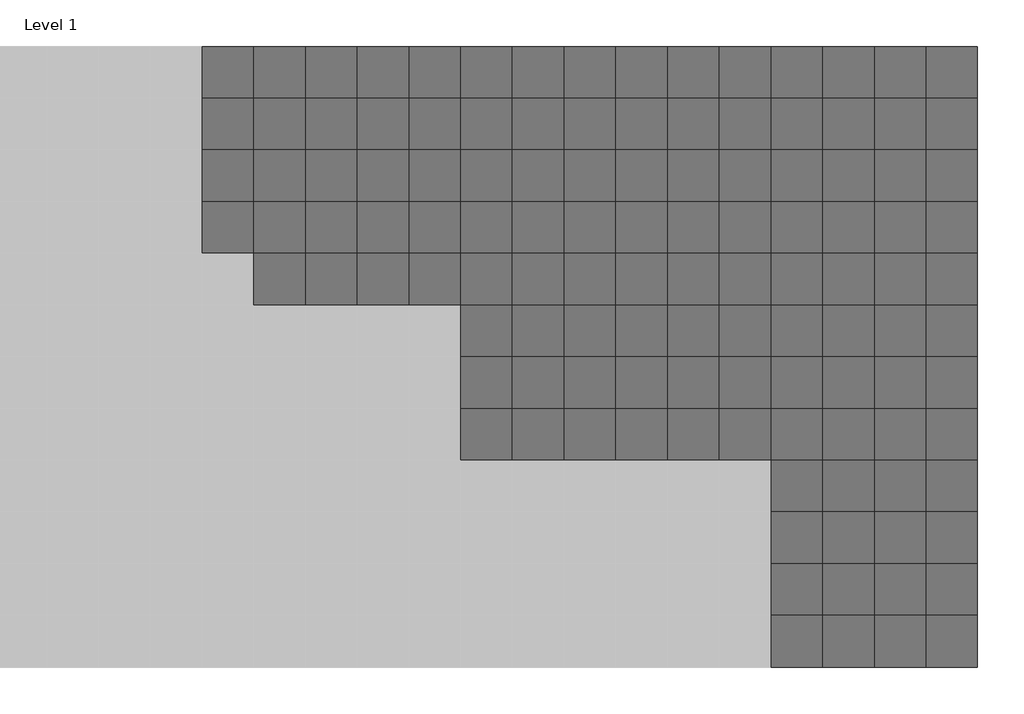
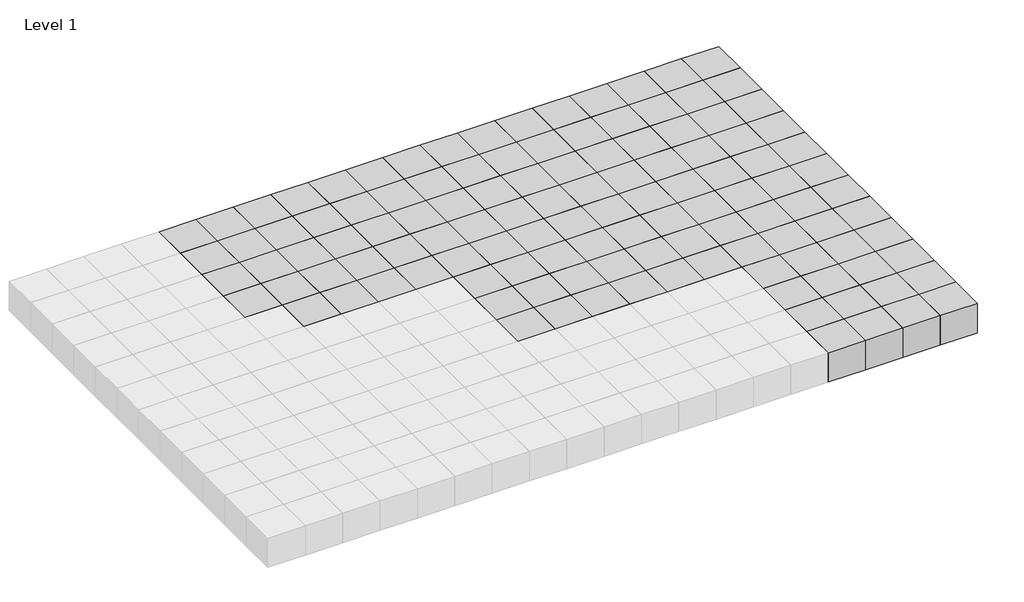
# One storey, part 3 of 3: 120 proxies.
"""IFC4 building model written with IfcOpenShell, lengths in millimetres."""

import ifcopenshell
import ifcopenshell.guid

model = None  # the IFC model being written
_history = None  # IfcOwnerHistory: only IFC2X3 demands one
_inside = {}  # id of a spatial element -> (the spatial element, [elements in it])
_under = {}  # id of a project, library or spatial element -> (it, [spatial elements below it])
_declared = {}  # id of a project -> (the project, [libraries it declares])
_typed = {}  # id of a type object -> (the type object, [elements of that type])
_made_of = {}  # id of a material, layer set ... -> (it, [elements and type objects made of it])


def new_model(schema):
    """Start an empty IFC model of exactly this schema.

    Asked for "IFC4X3", IfcOpenShell would pick the latest addendum, in which some entities
    have other attributes; the version numbers below select the first issue.
    IFC2X3 requires an IfcOwnerHistory on every rooted entity: one is made here for all.
    """
    global model, _history
    if schema == "IFC4X3":
        model = ifcopenshell.file(schema_version=(4, 3, 0, 0))
    else:
        model = ifcopenshell.file(schema=schema)
    _inside.clear()
    _under.clear()
    _declared.clear()
    _typed.clear()
    _made_of.clear()
    _history = None
    if model.schema == "IFC2X3":
        org = make("IfcOrganization", Name="unknown")
        user = make(
            "IfcPersonAndOrganization",
            ThePerson=make("IfcPerson", FamilyName="unknown"),
            TheOrganization=org,
        )
        app = make(
            "IfcApplication",
            ApplicationDeveloper=org,
            Version="unknown",
            ApplicationFullName="unknown",
            ApplicationIdentifier="unknown",
        )
        _history = make(
            "IfcOwnerHistory",
            OwningUser=user,
            OwningApplication=app,
            ChangeAction="ADDED",
            CreationDate=0,
        )
    return model


def make(cls, **values):
    """One entity of the class cls with the attributes given. An attribute that is None is left unset."""
    return model.create_entity(
        cls, **{name: value for name, value in values.items() if value is not None}
    )


def rooted(cls, **values):
    """An entity with a GlobalId (a new one), such as an element, a storey or a relation."""
    return make(cls, GlobalId=ifcopenshell.guid.new(), OwnerHistory=_history, **values)


def si_unit(unit_type, name, prefix=None):
    """IfcSIUnit, for example si_unit("LENGTHUNIT", "METRE", prefix="MILLI")."""
    return make("IfcSIUnit", UnitType=unit_type, Prefix=prefix, Name=name)


def assignment(units):
    """IfcUnitAssignment: the units of a project."""
    return None if units is None else make("IfcUnitAssignment", Units=units)


def point(xyz):
    """IfcCartesianPoint."""
    return None if xyz is None else make("IfcCartesianPoint", Coordinates=xyz)


def direction(xyz):
    """IfcDirection."""
    return None if xyz is None else make("IfcDirection", DirectionRatios=xyz)


def frame(location, z_axis=None, x_axis=None):
    """IfcAxis2Placement3D, a coordinate frame: its origin and axes. An axis left out is left unset."""
    return make(
        "IfcAxis2Placement3D",
        Location=point(location),
        Axis=direction(z_axis),
        RefDirection=direction(x_axis),
    )


def origin():
    """The frame at (0, 0, 0) with its axes left unset."""
    return frame((0.0, 0.0, 0.0))


def origin_with_axes():
    """The frame at (0, 0, 0) with the z axis (0, 0, 1) and the x axis (1, 0, 0) written out."""
    return frame((0.0, 0.0, 0.0), z_axis=(0.0, 0.0, 1.0), x_axis=(1.0, 0.0, 0.0))


def place(relative_to, where):
    """IfcLocalPlacement: puts the frame where relative to a parent placement (None: the world)."""
    return make(
        "IfcLocalPlacement", PlacementRelTo=relative_to, RelativePlacement=where
    )


def context(
    kind, dimensions, precision=None, world=None, true_north=None, identifier=None
):
    """IfcGeometricRepresentationContext, for example the 3D "Model" context."""
    return make(
        "IfcGeometricRepresentationContext",
        ContextIdentifier=identifier,
        ContextType=kind,
        CoordinateSpaceDimension=dimensions,
        Precision=precision,
        WorldCoordinateSystem=world,
        TrueNorth=true_north,
    )


def project(units=None, contexts=None):
    """IfcProject with its units and contexts."""
    return rooted(
        "IfcProject",
        Name="project",
        RepresentationContexts=contexts,
        UnitsInContext=assignment(units),
    )


def spatial(cls, under=None, at=None, **own):
    """A site, building, storey or space (cls), placed at a placement, below another one or the project."""
    s = rooted(cls, ObjectPlacement=at, **own)
    if under is not None:
        _under.setdefault(under.id(), (under, []))[1].append(s)
    return s


def polyline(points):
    """IfcPolyline through the points."""
    return make("IfcPolyline", Points=[point(p) for p in points])


def outline(outer, holes=None, kind="AREA"):
    """IfcArbitraryClosedProfileDef: a profile drawn as a closed curve; with holes, ...WithVoids."""
    if holes is None:
        return make("IfcArbitraryClosedProfileDef", ProfileType=kind, OuterCurve=outer)
    return make(
        "IfcArbitraryProfileDefWithVoids",
        ProfileType=kind,
        OuterCurve=outer,
        InnerCurves=holes,
    )


def extrude(swept, where, along, depth):
    """IfcExtrudedAreaSolid: the profile swept, set in the frame where, extruded along a direction by depth."""
    return make(
        "IfcExtrudedAreaSolid",
        SweptArea=swept,
        Position=where,
        ExtrudedDirection=direction(along),
        Depth=depth,
    )


def shape(context_of_items, identifier, shape_type, items):
    """IfcShapeRepresentation: the items that make up one representation, for example the "Body"."""
    return make(
        "IfcShapeRepresentation",
        ContextOfItems=context_of_items,
        RepresentationIdentifier=identifier,
        RepresentationType=shape_type,
        Items=items,
    )


def source(mapping_origin, context_of_items, identifier, shape_type, items):
    """IfcRepresentationMap: a shape defined once, which mapped items show again and again."""
    return make(
        "IfcRepresentationMap",
        MappingOrigin=mapping_origin,
        MappedRepresentation=shape(context_of_items, identifier, shape_type, items),
    )


def transform(
    local_origin,
    x_axis=None,
    y_axis=None,
    z_axis=None,
    scale=None,
    scale2=None,
    scale3=None,
    uniform=True,
):
    """IfcCartesianTransformationOperator3D, or its non-uniform kind. x_axis, y_axis, z_axis: its Axis1, 2, 3."""
    if uniform:
        return make(
            "IfcCartesianTransformationOperator3D",
            Axis1=direction(x_axis),
            Axis2=direction(y_axis),
            LocalOrigin=point(local_origin),
            Scale=scale,
            Axis3=direction(z_axis),
        )
    return make(
        "IfcCartesianTransformationOperator3DnonUniform",
        Axis1=direction(x_axis),
        Axis2=direction(y_axis),
        LocalOrigin=point(local_origin),
        Scale=scale,
        Axis3=direction(z_axis),
        Scale2=scale2,
        Scale3=scale3,
    )


def mapped(mapping_source, mapping_target):
    """IfcMappedItem: shows the shape of a source again, moved by a transform."""
    return make(
        "IfcMappedItem", MappingSource=mapping_source, MappingTarget=mapping_target
    )


def made_of(thing, what):
    """Note that an element or type object is made of a material, layer set ...; save() writes the relation."""
    if what is not None:
        _made_of.setdefault(what.id(), (what, []))[1].append(thing)
    return thing


def element(
    cls,
    number,
    at=None,
    inside=None,
    cuts=None,
    type_object=None,
    material=None,
    context=None,
    identifier="Body",
    shape_type=None,
    held_by="IfcProductDefinitionShape",
    body=None,
    shapes=None,
    **own,
):
    """One element of the class cls, such as IfcWall. Its Tag is "e" and its number.

    at: its placement. inside: the storey or other place that contains it. cuts: it is an
    opening in that element (IfcRelVoidsElement). A single representation is given by context,
    identifier, shape_type and body (its items); several are given by shapes. held_by: the class
    of the entity that holds the representations. save() writes the other relations.
    """
    e = rooted(cls, Tag="e%d" % number, ObjectPlacement=at, **own)
    if body is not None:
        shapes = [shape(context, identifier, shape_type, body)]
    if shapes is not None:
        e.Representation = make(held_by, Representations=shapes)
    if inside is not None:
        _inside.setdefault(inside.id(), (inside, []))[1].append(e)
    if cuts is not None:
        rooted(
            "IfcRelVoidsElement", RelatingBuildingElement=cuts, RelatedOpeningElement=e
        )
    if type_object is not None:
        _typed.setdefault(type_object.id(), (type_object, []))[1].append(e)
    return made_of(e, material)


def aggregate(whole, parts):
    """IfcRelAggregates: a whole, such as a stair, and the parts it consists of."""
    return rooted("IfcRelAggregates", RelatingObject=whole, RelatedObjects=parts)


def save(model, path):
    """Write the relations noted so far, then the file.

    IfcRelAggregates (storeys below a building ...), IfcRelContainedInSpatialStructure (elements
    in a storey), IfcRelDefinesByType, IfcRelAssociatesMaterial and IfcRelDeclares: one each for
    every whole, place, type object, material and project.
    """
    for whole, parts in _under.values():
        aggregate(whole, parts)
    for where, things in _inside.values():
        rooted(
            "IfcRelContainedInSpatialStructure",
            RelatedElements=things,
            RelatingStructure=where,
        )
    for kind, things in _typed.values():
        rooted("IfcRelDefinesByType", RelatedObjects=things, RelatingType=kind)
    for what, things in _made_of.values():
        rooted("IfcRelAssociatesMaterial", RelatedObjects=things, RelatingMaterial=what)
    for by, libraries in _declared.values():
        rooted("IfcRelDeclares", RelatingContext=by, RelatedDefinitions=libraries)
    model.write(path)


def family1_family1_3ff121e7(model_context):
    return source(origin(), model_context, "Body", "SweptSolid", [
        extrude(outline(polyline([(1500.0, 1500.0), (1500.0, -1500.0), (-1500.0, -1500.0), (-1500.0, 1500.0), (1500.0, 1500.0)])), origin_with_axes(), (0.0, 0.0, 1.0), 2500.0),
    ])


model = new_model("IFC4")

# Units and contexts
model_context = context("Model", 3, world=origin())
ifc_project = project(units=[si_unit("LENGTHUNIT", "METRE", prefix="MILLI")], contexts=[model_context])

# Site, building, storey
site = spatial("IfcSite", under=ifc_project)
building = spatial("IfcBuilding", under=site)
storey = spatial("IfcBuildingStorey", under=building, Name="Level 1", Elevation=0.0)

# Proxies
placement = place(None, origin())
family1_family1_shape = family1_family1_3ff121e7(model_context)
element("IfcBuildingElementProxy", 1, Name="Family1 : Family1", ObjectType="Family1 : Family1", at=placement, inside=storey, context=model_context, shape_type="MappedRepresentation", body=[
    mapped(family1_family1_shape, transform((34230.8235721, 4214.6480914, 0.0), x_axis=(1.0, 0.0, 0.0), y_axis=(0.0, 1.0, 0.0), z_axis=(0.0, 0.0, 1.0))),
])
element("IfcBuildingElementProxy", 2, Name="Family1 : Family1", ObjectType="Family1 : Family1", at=placement, inside=storey, context=model_context, shape_type="MappedRepresentation", body=[
    mapped(family1_family1_shape, transform((37230.8235721, 4214.6480914, 0.0), x_axis=(1.0, 0.0, 0.0), y_axis=(0.0, 1.0, 0.0), z_axis=(0.0, 0.0, 1.0))),
])
element("IfcBuildingElementProxy", 3, Name="Family1 : Family1", ObjectType="Family1 : Family1", at=placement, inside=storey, context=model_context, shape_type="MappedRepresentation", body=[
    mapped(family1_family1_shape, transform((40230.8235721, 4214.6480914, 0.0), x_axis=(1.0, 0.0, 0.0), y_axis=(0.0, 1.0, 0.0), z_axis=(0.0, 0.0, 1.0))),
])
element("IfcBuildingElementProxy", 4, Name="Family1 : Family1", ObjectType="Family1 : Family1", at=placement, inside=storey, context=model_context, shape_type="MappedRepresentation", body=[
    mapped(family1_family1_shape, transform((43230.8235721, 4214.6480914, 0.0), x_axis=(1.0, 0.0, 0.0), y_axis=(0.0, 1.0, 0.0), z_axis=(0.0, 0.0, 1.0))),
])
element("IfcBuildingElementProxy", 5, Name="Family1 : Family1", ObjectType="Family1 : Family1", at=placement, inside=storey, context=model_context, shape_type="MappedRepresentation", body=[
    mapped(family1_family1_shape, transform((34230.8235721, 7214.6480914, 0.0), x_axis=(1.0, 0.0, 0.0), y_axis=(0.0, 1.0, 0.0), z_axis=(0.0, 0.0, 1.0))),
])
element("IfcBuildingElementProxy", 6, Name="Family1 : Family1", ObjectType="Family1 : Family1", at=placement, inside=storey, context=model_context, shape_type="MappedRepresentation", body=[
    mapped(family1_family1_shape, transform((37230.8235721, 7214.6480914, 0.0), x_axis=(1.0, 0.0, 0.0), y_axis=(0.0, 1.0, 0.0), z_axis=(0.0, 0.0, 1.0))),
])
element("IfcBuildingElementProxy", 7, Name="Family1 : Family1", ObjectType="Family1 : Family1", at=placement, inside=storey, context=model_context, shape_type="MappedRepresentation", body=[
    mapped(family1_family1_shape, transform((40230.8235721, 7214.6480914, 0.0), x_axis=(1.0, 0.0, 0.0), y_axis=(0.0, 1.0, 0.0), z_axis=(0.0, 0.0, 1.0))),
])
element("IfcBuildingElementProxy", 8, Name="Family1 : Family1", ObjectType="Family1 : Family1", at=placement, inside=storey, context=model_context, shape_type="MappedRepresentation", body=[
    mapped(family1_family1_shape, transform((43230.8235721, 7214.6480914, 0.0), x_axis=(1.0, 0.0, 0.0), y_axis=(0.0, 1.0, 0.0), z_axis=(0.0, 0.0, 1.0))),
])
element("IfcBuildingElementProxy", 9, Name="Family1 : Family1", ObjectType="Family1 : Family1", at=placement, inside=storey, context=model_context, shape_type="MappedRepresentation", body=[
    mapped(family1_family1_shape, transform((34230.8235721, 10214.6480914, 0.0), x_axis=(1.0, 0.0, 0.0), y_axis=(0.0, 1.0, 0.0), z_axis=(0.0, 0.0, 1.0))),
])
element("IfcBuildingElementProxy", 10, Name="Family1 : Family1", ObjectType="Family1 : Family1", at=placement, inside=storey, context=model_context, shape_type="MappedRepresentation", body=[
    mapped(family1_family1_shape, transform((37230.8235721, 10214.6480914, 0.0), x_axis=(1.0, 0.0, 0.0), y_axis=(0.0, 1.0, 0.0), z_axis=(0.0, 0.0, 1.0))),
])
element("IfcBuildingElementProxy", 11, Name="Family1 : Family1", ObjectType="Family1 : Family1", at=placement, inside=storey, context=model_context, shape_type="MappedRepresentation", body=[
    mapped(family1_family1_shape, transform((40230.8235721, 10214.6480914, 0.0), x_axis=(1.0, 0.0, 0.0), y_axis=(0.0, 1.0, 0.0), z_axis=(0.0, 0.0, 1.0))),
])
element("IfcBuildingElementProxy", 12, Name="Family1 : Family1", ObjectType="Family1 : Family1", at=placement, inside=storey, context=model_context, shape_type="MappedRepresentation", body=[
    mapped(family1_family1_shape, transform((43230.8235721, 10214.6480914, 0.0), x_axis=(1.0, 0.0, 0.0), y_axis=(0.0, 1.0, 0.0), z_axis=(0.0, 0.0, 1.0))),
])
element("IfcBuildingElementProxy", 13, Name="Family1 : Family1", ObjectType="Family1 : Family1", at=placement, inside=storey, context=model_context, shape_type="MappedRepresentation", body=[
    mapped(family1_family1_shape, transform((34230.8235721, 13214.6480914, 0.0), x_axis=(1.0, 0.0, 0.0), y_axis=(0.0, 1.0, 0.0), z_axis=(0.0, 0.0, 1.0))),
])
element("IfcBuildingElementProxy", 14, Name="Family1 : Family1", ObjectType="Family1 : Family1", at=placement, inside=storey, context=model_context, shape_type="MappedRepresentation", body=[
    mapped(family1_family1_shape, transform((37230.8235721, 13214.6480914, 0.0), x_axis=(1.0, 0.0, 0.0), y_axis=(0.0, 1.0, 0.0), z_axis=(0.0, 0.0, 1.0))),
])
element("IfcBuildingElementProxy", 15, Name="Family1 : Family1", ObjectType="Family1 : Family1", at=placement, inside=storey, context=model_context, shape_type="MappedRepresentation", body=[
    mapped(family1_family1_shape, transform((40230.8235721, 13214.6480914, 0.0), x_axis=(1.0, 0.0, 0.0), y_axis=(0.0, 1.0, 0.0), z_axis=(0.0, 0.0, 1.0))),
])
element("IfcBuildingElementProxy", 16, Name="Family1 : Family1", ObjectType="Family1 : Family1", at=placement, inside=storey, context=model_context, shape_type="MappedRepresentation", body=[
    mapped(family1_family1_shape, transform((43230.8235721, 13214.6480914, 0.0), x_axis=(1.0, 0.0, 0.0), y_axis=(0.0, 1.0, 0.0), z_axis=(0.0, 0.0, 1.0))),
])
element("IfcBuildingElementProxy", 17, Name="Family1 : Family1", ObjectType="Family1 : Family1", at=placement, inside=storey, context=model_context, shape_type="MappedRepresentation", body=[
    mapped(family1_family1_shape, transform((16230.8235721, 16214.6480914, 0.0), x_axis=(1.0, 0.0, 0.0), y_axis=(0.0, 1.0, 0.0), z_axis=(0.0, 0.0, 1.0))),
])
element("IfcBuildingElementProxy", 18, Name="Family1 : Family1", ObjectType="Family1 : Family1", at=placement, inside=storey, context=model_context, shape_type="MappedRepresentation", body=[
    mapped(family1_family1_shape, transform((19230.8235721, 16214.6480914, 0.0), x_axis=(1.0, 0.0, 0.0), y_axis=(0.0, 1.0, 0.0), z_axis=(0.0, 0.0, 1.0))),
])
element("IfcBuildingElementProxy", 19, Name="Family1 : Family1", ObjectType="Family1 : Family1", at=placement, inside=storey, context=model_context, shape_type="MappedRepresentation", body=[
    mapped(family1_family1_shape, transform((22230.8235721, 16214.6480914, 0.0), x_axis=(1.0, 0.0, 0.0), y_axis=(0.0, 1.0, 0.0), z_axis=(0.0, 0.0, 1.0))),
])
element("IfcBuildingElementProxy", 20, Name="Family1 : Family1", ObjectType="Family1 : Family1", at=placement, inside=storey, context=model_context, shape_type="MappedRepresentation", body=[
    mapped(family1_family1_shape, transform((25230.8235721, 16214.6480914, 0.0), x_axis=(1.0, 0.0, 0.0), y_axis=(0.0, 1.0, 0.0), z_axis=(0.0, 0.0, 1.0))),
])
element("IfcBuildingElementProxy", 21, Name="Family1 : Family1", ObjectType="Family1 : Family1", at=placement, inside=storey, context=model_context, shape_type="MappedRepresentation", body=[
    mapped(family1_family1_shape, transform((28230.8235721, 16214.6480914, 0.0), x_axis=(1.0, 0.0, 0.0), y_axis=(0.0, 1.0, 0.0), z_axis=(0.0, 0.0, 1.0))),
])
element("IfcBuildingElementProxy", 22, Name="Family1 : Family1", ObjectType="Family1 : Family1", at=placement, inside=storey, context=model_context, shape_type="MappedRepresentation", body=[
    mapped(family1_family1_shape, transform((31230.8235721, 16214.6480914, 0.0), x_axis=(1.0, 0.0, 0.0), y_axis=(0.0, 1.0, 0.0), z_axis=(0.0, 0.0, 1.0))),
])
element("IfcBuildingElementProxy", 23, Name="Family1 : Family1", ObjectType="Family1 : Family1", at=placement, inside=storey, context=model_context, shape_type="MappedRepresentation", body=[
    mapped(family1_family1_shape, transform((34230.8235721, 16214.6480914, 0.0), x_axis=(1.0, 0.0, 0.0), y_axis=(0.0, 1.0, 0.0), z_axis=(0.0, 0.0, 1.0))),
])
element("IfcBuildingElementProxy", 24, Name="Family1 : Family1", ObjectType="Family1 : Family1", at=placement, inside=storey, context=model_context, shape_type="MappedRepresentation", body=[
    mapped(family1_family1_shape, transform((37230.8235721, 16214.6480914, 0.0), x_axis=(1.0, 0.0, 0.0), y_axis=(0.0, 1.0, 0.0), z_axis=(0.0, 0.0, 1.0))),
])
element("IfcBuildingElementProxy", 25, Name="Family1 : Family1", ObjectType="Family1 : Family1", at=placement, inside=storey, context=model_context, shape_type="MappedRepresentation", body=[
    mapped(family1_family1_shape, transform((40230.8235721, 16214.6480914, 0.0), x_axis=(1.0, 0.0, 0.0), y_axis=(0.0, 1.0, 0.0), z_axis=(0.0, 0.0, 1.0))),
])
element("IfcBuildingElementProxy", 26, Name="Family1 : Family1", ObjectType="Family1 : Family1", at=placement, inside=storey, context=model_context, shape_type="MappedRepresentation", body=[
    mapped(family1_family1_shape, transform((43230.8235721, 16214.6480914, 0.0), x_axis=(1.0, 0.0, 0.0), y_axis=(0.0, 1.0, 0.0), z_axis=(0.0, 0.0, 1.0))),
])
element("IfcBuildingElementProxy", 27, Name="Family1 : Family1", ObjectType="Family1 : Family1", at=placement, inside=storey, context=model_context, shape_type="MappedRepresentation", body=[
    mapped(family1_family1_shape, transform((16230.8235721, 19214.6480914, 0.0), x_axis=(1.0, 0.0, 0.0), y_axis=(0.0, 1.0, 0.0), z_axis=(0.0, 0.0, 1.0))),
])
element("IfcBuildingElementProxy", 28, Name="Family1 : Family1", ObjectType="Family1 : Family1", at=placement, inside=storey, context=model_context, shape_type="MappedRepresentation", body=[
    mapped(family1_family1_shape, transform((19230.8235721, 19214.6480914, 0.0), x_axis=(1.0, 0.0, 0.0), y_axis=(0.0, 1.0, 0.0), z_axis=(0.0, 0.0, 1.0))),
])
element("IfcBuildingElementProxy", 29, Name="Family1 : Family1", ObjectType="Family1 : Family1", at=placement, inside=storey, context=model_context, shape_type="MappedRepresentation", body=[
    mapped(family1_family1_shape, transform((22230.8235721, 19214.6480914, 0.0), x_axis=(1.0, 0.0, 0.0), y_axis=(0.0, 1.0, 0.0), z_axis=(0.0, 0.0, 1.0))),
])
element("IfcBuildingElementProxy", 30, Name="Family1 : Family1", ObjectType="Family1 : Family1", at=placement, inside=storey, context=model_context, shape_type="MappedRepresentation", body=[
    mapped(family1_family1_shape, transform((25230.8235721, 19214.6480914, 0.0), x_axis=(1.0, 0.0, 0.0), y_axis=(0.0, 1.0, 0.0), z_axis=(0.0, 0.0, 1.0))),
])
element("IfcBuildingElementProxy", 31, Name="Family1 : Family1", ObjectType="Family1 : Family1", at=placement, inside=storey, context=model_context, shape_type="MappedRepresentation", body=[
    mapped(family1_family1_shape, transform((28230.8235721, 19214.6480914, 0.0), x_axis=(1.0, 0.0, 0.0), y_axis=(0.0, 1.0, 0.0), z_axis=(0.0, 0.0, 1.0))),
])
element("IfcBuildingElementProxy", 32, Name="Family1 : Family1", ObjectType="Family1 : Family1", at=placement, inside=storey, context=model_context, shape_type="MappedRepresentation", body=[
    mapped(family1_family1_shape, transform((31230.8235721, 19214.6480914, 0.0), x_axis=(1.0, 0.0, 0.0), y_axis=(0.0, 1.0, 0.0), z_axis=(0.0, 0.0, 1.0))),
])
element("IfcBuildingElementProxy", 33, Name="Family1 : Family1", ObjectType="Family1 : Family1", at=placement, inside=storey, context=model_context, shape_type="MappedRepresentation", body=[
    mapped(family1_family1_shape, transform((34230.8235721, 19214.6480914, 0.0), x_axis=(1.0, 0.0, 0.0), y_axis=(0.0, 1.0, 0.0), z_axis=(0.0, 0.0, 1.0))),
])
element("IfcBuildingElementProxy", 34, Name="Family1 : Family1", ObjectType="Family1 : Family1", at=placement, inside=storey, context=model_context, shape_type="MappedRepresentation", body=[
    mapped(family1_family1_shape, transform((37230.8235721, 19214.6480914, 0.0), x_axis=(1.0, 0.0, 0.0), y_axis=(0.0, 1.0, 0.0), z_axis=(0.0, 0.0, 1.0))),
])
element("IfcBuildingElementProxy", 35, Name="Family1 : Family1", ObjectType="Family1 : Family1", at=placement, inside=storey, context=model_context, shape_type="MappedRepresentation", body=[
    mapped(family1_family1_shape, transform((40230.8235721, 19214.6480914, 0.0), x_axis=(1.0, 0.0, 0.0), y_axis=(0.0, 1.0, 0.0), z_axis=(0.0, 0.0, 1.0))),
])
element("IfcBuildingElementProxy", 36, Name="Family1 : Family1", ObjectType="Family1 : Family1", at=placement, inside=storey, context=model_context, shape_type="MappedRepresentation", body=[
    mapped(family1_family1_shape, transform((43230.8235721, 19214.6480914, 0.0), x_axis=(1.0, 0.0, 0.0), y_axis=(0.0, 1.0, 0.0), z_axis=(0.0, 0.0, 1.0))),
])
element("IfcBuildingElementProxy", 37, Name="Family1 : Family1", ObjectType="Family1 : Family1", at=placement, inside=storey, context=model_context, shape_type="MappedRepresentation", body=[
    mapped(family1_family1_shape, transform((16230.8235721, 22214.6480914, 0.0), x_axis=(1.0, 0.0, 0.0), y_axis=(0.0, 1.0, 0.0), z_axis=(0.0, 0.0, 1.0))),
])
element("IfcBuildingElementProxy", 38, Name="Family1 : Family1", ObjectType="Family1 : Family1", at=placement, inside=storey, context=model_context, shape_type="MappedRepresentation", body=[
    mapped(family1_family1_shape, transform((19230.8235721, 22214.6480914, 0.0), x_axis=(1.0, 0.0, 0.0), y_axis=(0.0, 1.0, 0.0), z_axis=(0.0, 0.0, 1.0))),
])
element("IfcBuildingElementProxy", 39, Name="Family1 : Family1", ObjectType="Family1 : Family1", at=placement, inside=storey, context=model_context, shape_type="MappedRepresentation", body=[
    mapped(family1_family1_shape, transform((22230.8235721, 22214.6480914, 0.0), x_axis=(1.0, 0.0, 0.0), y_axis=(0.0, 1.0, 0.0), z_axis=(0.0, 0.0, 1.0))),
])
element("IfcBuildingElementProxy", 40, Name="Family1 : Family1", ObjectType="Family1 : Family1", at=placement, inside=storey, context=model_context, shape_type="MappedRepresentation", body=[
    mapped(family1_family1_shape, transform((25230.8235721, 22214.6480914, 0.0), x_axis=(1.0, 0.0, 0.0), y_axis=(0.0, 1.0, 0.0), z_axis=(0.0, 0.0, 1.0))),
])
element("IfcBuildingElementProxy", 41, Name="Family1 : Family1", ObjectType="Family1 : Family1", at=placement, inside=storey, context=model_context, shape_type="MappedRepresentation", body=[
    mapped(family1_family1_shape, transform((28230.8235721, 22214.6480914, 0.0), x_axis=(1.0, 0.0, 0.0), y_axis=(0.0, 1.0, 0.0), z_axis=(0.0, 0.0, 1.0))),
])
element("IfcBuildingElementProxy", 42, Name="Family1 : Family1", ObjectType="Family1 : Family1", at=placement, inside=storey, context=model_context, shape_type="MappedRepresentation", body=[
    mapped(family1_family1_shape, transform((31230.8235721, 22214.6480914, 0.0), x_axis=(1.0, 0.0, 0.0), y_axis=(0.0, 1.0, 0.0), z_axis=(0.0, 0.0, 1.0))),
])
element("IfcBuildingElementProxy", 43, Name="Family1 : Family1", ObjectType="Family1 : Family1", at=placement, inside=storey, context=model_context, shape_type="MappedRepresentation", body=[
    mapped(family1_family1_shape, transform((34230.8235721, 22214.6480914, 0.0), x_axis=(1.0, 0.0, 0.0), y_axis=(0.0, 1.0, 0.0), z_axis=(0.0, 0.0, 1.0))),
])
element("IfcBuildingElementProxy", 44, Name="Family1 : Family1", ObjectType="Family1 : Family1", at=placement, inside=storey, context=model_context, shape_type="MappedRepresentation", body=[
    mapped(family1_family1_shape, transform((37230.8235721, 22214.6480914, 0.0), x_axis=(1.0, 0.0, 0.0), y_axis=(0.0, 1.0, 0.0), z_axis=(0.0, 0.0, 1.0))),
])
element("IfcBuildingElementProxy", 45, Name="Family1 : Family1", ObjectType="Family1 : Family1", at=placement, inside=storey, context=model_context, shape_type="MappedRepresentation", body=[
    mapped(family1_family1_shape, transform((40230.8235721, 22214.6480914, 0.0), x_axis=(1.0, 0.0, 0.0), y_axis=(0.0, 1.0, 0.0), z_axis=(0.0, 0.0, 1.0))),
])
element("IfcBuildingElementProxy", 46, Name="Family1 : Family1", ObjectType="Family1 : Family1", at=placement, inside=storey, context=model_context, shape_type="MappedRepresentation", body=[
    mapped(family1_family1_shape, transform((43230.8235721, 22214.6480914, 0.0), x_axis=(1.0, 0.0, 0.0), y_axis=(0.0, 1.0, 0.0), z_axis=(0.0, 0.0, 1.0))),
])
element("IfcBuildingElementProxy", 47, Name="Family1 : Family1", ObjectType="Family1 : Family1", at=placement, inside=storey, context=model_context, shape_type="MappedRepresentation", body=[
    mapped(family1_family1_shape, transform((4230.8235721, 25214.6480914, 0.0), x_axis=(1.0, 0.0, 0.0), y_axis=(0.0, 1.0, 0.0), z_axis=(0.0, 0.0, 1.0))),
])
element("IfcBuildingElementProxy", 48, Name="Family1 : Family1", ObjectType="Family1 : Family1", at=placement, inside=storey, context=model_context, shape_type="MappedRepresentation", body=[
    mapped(family1_family1_shape, transform((7230.8235721, 25214.6480914, 0.0), x_axis=(1.0, 0.0, 0.0), y_axis=(0.0, 1.0, 0.0), z_axis=(0.0, 0.0, 1.0))),
])
element("IfcBuildingElementProxy", 49, Name="Family1 : Family1", ObjectType="Family1 : Family1", at=placement, inside=storey, context=model_context, shape_type="MappedRepresentation", body=[
    mapped(family1_family1_shape, transform((10230.8235721, 25214.6480914, 0.0), x_axis=(1.0, 0.0, 0.0), y_axis=(0.0, 1.0, 0.0), z_axis=(0.0, 0.0, 1.0))),
])
element("IfcBuildingElementProxy", 50, Name="Family1 : Family1", ObjectType="Family1 : Family1", at=placement, inside=storey, context=model_context, shape_type="MappedRepresentation", body=[
    mapped(family1_family1_shape, transform((13230.8235721, 25214.6480914, 0.0), x_axis=(1.0, 0.0, 0.0), y_axis=(0.0, 1.0, 0.0), z_axis=(0.0, 0.0, 1.0))),
])
element("IfcBuildingElementProxy", 51, Name="Family1 : Family1", ObjectType="Family1 : Family1", at=placement, inside=storey, context=model_context, shape_type="MappedRepresentation", body=[
    mapped(family1_family1_shape, transform((16230.8235721, 25214.6480914, 0.0), x_axis=(1.0, 0.0, 0.0), y_axis=(0.0, 1.0, 0.0), z_axis=(0.0, 0.0, 1.0))),
])
element("IfcBuildingElementProxy", 52, Name="Family1 : Family1", ObjectType="Family1 : Family1", at=placement, inside=storey, context=model_context, shape_type="MappedRepresentation", body=[
    mapped(family1_family1_shape, transform((19230.8235721, 25214.6480914, 0.0), x_axis=(1.0, 0.0, 0.0), y_axis=(0.0, 1.0, 0.0), z_axis=(0.0, 0.0, 1.0))),
])
element("IfcBuildingElementProxy", 53, Name="Family1 : Family1", ObjectType="Family1 : Family1", at=placement, inside=storey, context=model_context, shape_type="MappedRepresentation", body=[
    mapped(family1_family1_shape, transform((22230.8235721, 25214.6480914, 0.0), x_axis=(1.0, 0.0, 0.0), y_axis=(0.0, 1.0, 0.0), z_axis=(0.0, 0.0, 1.0))),
])
element("IfcBuildingElementProxy", 54, Name="Family1 : Family1", ObjectType="Family1 : Family1", at=placement, inside=storey, context=model_context, shape_type="MappedRepresentation", body=[
    mapped(family1_family1_shape, transform((25230.8235721, 25214.6480914, 0.0), x_axis=(1.0, 0.0, 0.0), y_axis=(0.0, 1.0, 0.0), z_axis=(0.0, 0.0, 1.0))),
])
element("IfcBuildingElementProxy", 55, Name="Family1 : Family1", ObjectType="Family1 : Family1", at=placement, inside=storey, context=model_context, shape_type="MappedRepresentation", body=[
    mapped(family1_family1_shape, transform((28230.8235721, 25214.6480914, 0.0), x_axis=(1.0, 0.0, 0.0), y_axis=(0.0, 1.0, 0.0), z_axis=(0.0, 0.0, 1.0))),
])
element("IfcBuildingElementProxy", 56, Name="Family1 : Family1", ObjectType="Family1 : Family1", at=placement, inside=storey, context=model_context, shape_type="MappedRepresentation", body=[
    mapped(family1_family1_shape, transform((31230.8235721, 25214.6480914, 0.0), x_axis=(1.0, 0.0, 0.0), y_axis=(0.0, 1.0, 0.0), z_axis=(0.0, 0.0, 1.0))),
])
element("IfcBuildingElementProxy", 57, Name="Family1 : Family1", ObjectType="Family1 : Family1", at=placement, inside=storey, context=model_context, shape_type="MappedRepresentation", body=[
    mapped(family1_family1_shape, transform((34230.8235721, 25214.6480914, 0.0), x_axis=(1.0, 0.0, 0.0), y_axis=(0.0, 1.0, 0.0), z_axis=(0.0, 0.0, 1.0))),
])
element("IfcBuildingElementProxy", 58, Name="Family1 : Family1", ObjectType="Family1 : Family1", at=placement, inside=storey, context=model_context, shape_type="MappedRepresentation", body=[
    mapped(family1_family1_shape, transform((37230.8235721, 25214.6480914, 0.0), x_axis=(1.0, 0.0, 0.0), y_axis=(0.0, 1.0, 0.0), z_axis=(0.0, 0.0, 1.0))),
])
element("IfcBuildingElementProxy", 59, Name="Family1 : Family1", ObjectType="Family1 : Family1", at=placement, inside=storey, context=model_context, shape_type="MappedRepresentation", body=[
    mapped(family1_family1_shape, transform((40230.8235721, 25214.6480914, 0.0), x_axis=(1.0, 0.0, 0.0), y_axis=(0.0, 1.0, 0.0), z_axis=(0.0, 0.0, 1.0))),
])
element("IfcBuildingElementProxy", 60, Name="Family1 : Family1", ObjectType="Family1 : Family1", at=placement, inside=storey, context=model_context, shape_type="MappedRepresentation", body=[
    mapped(family1_family1_shape, transform((43230.8235721, 25214.6480914, 0.0), x_axis=(1.0, 0.0, 0.0), y_axis=(0.0, 1.0, 0.0), z_axis=(0.0, 0.0, 1.0))),
])
element("IfcBuildingElementProxy", 61, Name="Family1 : Family1", ObjectType="Family1 : Family1", at=placement, inside=storey, context=model_context, shape_type="MappedRepresentation", body=[
    mapped(family1_family1_shape, transform((1230.8235721, 28214.6480914, 0.0), x_axis=(1.0, 0.0, 0.0), y_axis=(0.0, 1.0, 0.0), z_axis=(0.0, 0.0, 1.0))),
])
element("IfcBuildingElementProxy", 62, Name="Family1 : Family1", ObjectType="Family1 : Family1", at=placement, inside=storey, context=model_context, shape_type="MappedRepresentation", body=[
    mapped(family1_family1_shape, transform((4230.8235721, 28214.6480914, 0.0), x_axis=(1.0, 0.0, 0.0), y_axis=(0.0, 1.0, 0.0), z_axis=(0.0, 0.0, 1.0))),
])
element("IfcBuildingElementProxy", 63, Name="Family1 : Family1", ObjectType="Family1 : Family1", at=placement, inside=storey, context=model_context, shape_type="MappedRepresentation", body=[
    mapped(family1_family1_shape, transform((7230.8235721, 28214.6480914, 0.0), x_axis=(1.0, 0.0, 0.0), y_axis=(0.0, 1.0, 0.0), z_axis=(0.0, 0.0, 1.0))),
])
element("IfcBuildingElementProxy", 64, Name="Family1 : Family1", ObjectType="Family1 : Family1", at=placement, inside=storey, context=model_context, shape_type="MappedRepresentation", body=[
    mapped(family1_family1_shape, transform((10230.8235721, 28214.6480914, 0.0), x_axis=(1.0, 0.0, 0.0), y_axis=(0.0, 1.0, 0.0), z_axis=(0.0, 0.0, 1.0))),
])
element("IfcBuildingElementProxy", 65, Name="Family1 : Family1", ObjectType="Family1 : Family1", at=placement, inside=storey, context=model_context, shape_type="MappedRepresentation", body=[
    mapped(family1_family1_shape, transform((13230.8235721, 28214.6480914, 0.0), x_axis=(1.0, 0.0, 0.0), y_axis=(0.0, 1.0, 0.0), z_axis=(0.0, 0.0, 1.0))),
])
element("IfcBuildingElementProxy", 66, Name="Family1 : Family1", ObjectType="Family1 : Family1", at=placement, inside=storey, context=model_context, shape_type="MappedRepresentation", body=[
    mapped(family1_family1_shape, transform((16230.8235721, 28214.6480914, 0.0), x_axis=(1.0, 0.0, 0.0), y_axis=(0.0, 1.0, 0.0), z_axis=(0.0, 0.0, 1.0))),
])
element("IfcBuildingElementProxy", 67, Name="Family1 : Family1", ObjectType="Family1 : Family1", at=placement, inside=storey, context=model_context, shape_type="MappedRepresentation", body=[
    mapped(family1_family1_shape, transform((19230.8235721, 28214.6480914, 0.0), x_axis=(1.0, 0.0, 0.0), y_axis=(0.0, 1.0, 0.0), z_axis=(0.0, 0.0, 1.0))),
])
element("IfcBuildingElementProxy", 68, Name="Family1 : Family1", ObjectType="Family1 : Family1", at=placement, inside=storey, context=model_context, shape_type="MappedRepresentation", body=[
    mapped(family1_family1_shape, transform((22230.8235721, 28214.6480914, 0.0), x_axis=(1.0, 0.0, 0.0), y_axis=(0.0, 1.0, 0.0), z_axis=(0.0, 0.0, 1.0))),
])
element("IfcBuildingElementProxy", 69, Name="Family1 : Family1", ObjectType="Family1 : Family1", at=placement, inside=storey, context=model_context, shape_type="MappedRepresentation", body=[
    mapped(family1_family1_shape, transform((25230.8235721, 28214.6480914, 0.0), x_axis=(1.0, 0.0, 0.0), y_axis=(0.0, 1.0, 0.0), z_axis=(0.0, 0.0, 1.0))),
])
element("IfcBuildingElementProxy", 70, Name="Family1 : Family1", ObjectType="Family1 : Family1", at=placement, inside=storey, context=model_context, shape_type="MappedRepresentation", body=[
    mapped(family1_family1_shape, transform((28230.8235721, 28214.6480914, 0.0), x_axis=(1.0, 0.0, 0.0), y_axis=(0.0, 1.0, 0.0), z_axis=(0.0, 0.0, 1.0))),
])
element("IfcBuildingElementProxy", 71, Name="Family1 : Family1", ObjectType="Family1 : Family1", at=placement, inside=storey, context=model_context, shape_type="MappedRepresentation", body=[
    mapped(family1_family1_shape, transform((31230.8235721, 28214.6480914, 0.0), x_axis=(1.0, 0.0, 0.0), y_axis=(0.0, 1.0, 0.0), z_axis=(0.0, 0.0, 1.0))),
])
element("IfcBuildingElementProxy", 72, Name="Family1 : Family1", ObjectType="Family1 : Family1", at=placement, inside=storey, context=model_context, shape_type="MappedRepresentation", body=[
    mapped(family1_family1_shape, transform((34230.8235721, 28214.6480914, 0.0), x_axis=(1.0, 0.0, 0.0), y_axis=(0.0, 1.0, 0.0), z_axis=(0.0, 0.0, 1.0))),
])
element("IfcBuildingElementProxy", 73, Name="Family1 : Family1", ObjectType="Family1 : Family1", at=placement, inside=storey, context=model_context, shape_type="MappedRepresentation", body=[
    mapped(family1_family1_shape, transform((37230.8235721, 28214.6480914, 0.0), x_axis=(1.0, 0.0, 0.0), y_axis=(0.0, 1.0, 0.0), z_axis=(0.0, 0.0, 1.0))),
])
element("IfcBuildingElementProxy", 74, Name="Family1 : Family1", ObjectType="Family1 : Family1", at=placement, inside=storey, context=model_context, shape_type="MappedRepresentation", body=[
    mapped(family1_family1_shape, transform((40230.8235721, 28214.6480914, 0.0), x_axis=(1.0, 0.0, 0.0), y_axis=(0.0, 1.0, 0.0), z_axis=(0.0, 0.0, 1.0))),
])
element("IfcBuildingElementProxy", 75, Name="Family1 : Family1", ObjectType="Family1 : Family1", at=placement, inside=storey, context=model_context, shape_type="MappedRepresentation", body=[
    mapped(family1_family1_shape, transform((43230.8235721, 28214.6480914, 0.0), x_axis=(1.0, 0.0, 0.0), y_axis=(0.0, 1.0, 0.0), z_axis=(0.0, 0.0, 1.0))),
])
element("IfcBuildingElementProxy", 76, Name="Family1 : Family1", ObjectType="Family1 : Family1", at=placement, inside=storey, context=model_context, shape_type="MappedRepresentation", body=[
    mapped(family1_family1_shape, transform((1230.8235721, 31214.6480914, 0.0), x_axis=(1.0, 0.0, 0.0), y_axis=(0.0, 1.0, 0.0), z_axis=(0.0, 0.0, 1.0))),
])
element("IfcBuildingElementProxy", 77, Name="Family1 : Family1", ObjectType="Family1 : Family1", at=placement, inside=storey, context=model_context, shape_type="MappedRepresentation", body=[
    mapped(family1_family1_shape, transform((4230.8235721, 31214.6480914, 0.0), x_axis=(1.0, 0.0, 0.0), y_axis=(0.0, 1.0, 0.0), z_axis=(0.0, 0.0, 1.0))),
])
element("IfcBuildingElementProxy", 78, Name="Family1 : Family1", ObjectType="Family1 : Family1", at=placement, inside=storey, context=model_context, shape_type="MappedRepresentation", body=[
    mapped(family1_family1_shape, transform((7230.8235721, 31214.6480914, 0.0), x_axis=(1.0, 0.0, 0.0), y_axis=(0.0, 1.0, 0.0), z_axis=(0.0, 0.0, 1.0))),
])
element("IfcBuildingElementProxy", 79, Name="Family1 : Family1", ObjectType="Family1 : Family1", at=placement, inside=storey, context=model_context, shape_type="MappedRepresentation", body=[
    mapped(family1_family1_shape, transform((10230.8235721, 31214.6480914, 0.0), x_axis=(1.0, 0.0, 0.0), y_axis=(0.0, 1.0, 0.0), z_axis=(0.0, 0.0, 1.0))),
])
element("IfcBuildingElementProxy", 80, Name="Family1 : Family1", ObjectType="Family1 : Family1", at=placement, inside=storey, context=model_context, shape_type="MappedRepresentation", body=[
    mapped(family1_family1_shape, transform((13230.8235721, 31214.6480914, 0.0), x_axis=(1.0, 0.0, 0.0), y_axis=(0.0, 1.0, 0.0), z_axis=(0.0, 0.0, 1.0))),
])
element("IfcBuildingElementProxy", 81, Name="Family1 : Family1", ObjectType="Family1 : Family1", at=placement, inside=storey, context=model_context, shape_type="MappedRepresentation", body=[
    mapped(family1_family1_shape, transform((16230.8235721, 31214.6480914, 0.0), x_axis=(1.0, 0.0, 0.0), y_axis=(0.0, 1.0, 0.0), z_axis=(0.0, 0.0, 1.0))),
])
element("IfcBuildingElementProxy", 82, Name="Family1 : Family1", ObjectType="Family1 : Family1", at=placement, inside=storey, context=model_context, shape_type="MappedRepresentation", body=[
    mapped(family1_family1_shape, transform((19230.8235721, 31214.6480914, 0.0), x_axis=(1.0, 0.0, 0.0), y_axis=(0.0, 1.0, 0.0), z_axis=(0.0, 0.0, 1.0))),
])
element("IfcBuildingElementProxy", 83, Name="Family1 : Family1", ObjectType="Family1 : Family1", at=placement, inside=storey, context=model_context, shape_type="MappedRepresentation", body=[
    mapped(family1_family1_shape, transform((22230.8235721, 31214.6480914, 0.0), x_axis=(1.0, 0.0, 0.0), y_axis=(0.0, 1.0, 0.0), z_axis=(0.0, 0.0, 1.0))),
])
element("IfcBuildingElementProxy", 84, Name="Family1 : Family1", ObjectType="Family1 : Family1", at=placement, inside=storey, context=model_context, shape_type="MappedRepresentation", body=[
    mapped(family1_family1_shape, transform((25230.8235721, 31214.6480914, 0.0), x_axis=(1.0, 0.0, 0.0), y_axis=(0.0, 1.0, 0.0), z_axis=(0.0, 0.0, 1.0))),
])
element("IfcBuildingElementProxy", 85, Name="Family1 : Family1", ObjectType="Family1 : Family1", at=placement, inside=storey, context=model_context, shape_type="MappedRepresentation", body=[
    mapped(family1_family1_shape, transform((28230.8235721, 31214.6480914, 0.0), x_axis=(1.0, 0.0, 0.0), y_axis=(0.0, 1.0, 0.0), z_axis=(0.0, 0.0, 1.0))),
])
element("IfcBuildingElementProxy", 86, Name="Family1 : Family1", ObjectType="Family1 : Family1", at=placement, inside=storey, context=model_context, shape_type="MappedRepresentation", body=[
    mapped(family1_family1_shape, transform((31230.8235721, 31214.6480914, 0.0), x_axis=(1.0, 0.0, 0.0), y_axis=(0.0, 1.0, 0.0), z_axis=(0.0, 0.0, 1.0))),
])
element("IfcBuildingElementProxy", 87, Name="Family1 : Family1", ObjectType="Family1 : Family1", at=placement, inside=storey, context=model_context, shape_type="MappedRepresentation", body=[
    mapped(family1_family1_shape, transform((34230.8235721, 31214.6480914, 0.0), x_axis=(1.0, 0.0, 0.0), y_axis=(0.0, 1.0, 0.0), z_axis=(0.0, 0.0, 1.0))),
])
element("IfcBuildingElementProxy", 88, Name="Family1 : Family1", ObjectType="Family1 : Family1", at=placement, inside=storey, context=model_context, shape_type="MappedRepresentation", body=[
    mapped(family1_family1_shape, transform((37230.8235721, 31214.6480914, 0.0), x_axis=(1.0, 0.0, 0.0), y_axis=(0.0, 1.0, 0.0), z_axis=(0.0, 0.0, 1.0))),
])
element("IfcBuildingElementProxy", 89, Name="Family1 : Family1", ObjectType="Family1 : Family1", at=placement, inside=storey, context=model_context, shape_type="MappedRepresentation", body=[
    mapped(family1_family1_shape, transform((40230.8235721, 31214.6480914, 0.0), x_axis=(1.0, 0.0, 0.0), y_axis=(0.0, 1.0, 0.0), z_axis=(0.0, 0.0, 1.0))),
])
element("IfcBuildingElementProxy", 90, Name="Family1 : Family1", ObjectType="Family1 : Family1", at=placement, inside=storey, context=model_context, shape_type="MappedRepresentation", body=[
    mapped(family1_family1_shape, transform((43230.8235721, 31214.6480914, 0.0), x_axis=(1.0, 0.0, 0.0), y_axis=(0.0, 1.0, 0.0), z_axis=(0.0, 0.0, 1.0))),
])
element("IfcBuildingElementProxy", 91, Name="Family1 : Family1", ObjectType="Family1 : Family1", at=placement, inside=storey, context=model_context, shape_type="MappedRepresentation", body=[
    mapped(family1_family1_shape, transform((1230.8235721, 34214.6480914, 0.0), x_axis=(1.0, 0.0, 0.0), y_axis=(0.0, 1.0, 0.0), z_axis=(0.0, 0.0, 1.0))),
])
element("IfcBuildingElementProxy", 92, Name="Family1 : Family1", ObjectType="Family1 : Family1", at=placement, inside=storey, context=model_context, shape_type="MappedRepresentation", body=[
    mapped(family1_family1_shape, transform((4230.8235721, 34214.6480914, 0.0), x_axis=(1.0, 0.0, 0.0), y_axis=(0.0, 1.0, 0.0), z_axis=(0.0, 0.0, 1.0))),
])
element("IfcBuildingElementProxy", 93, Name="Family1 : Family1", ObjectType="Family1 : Family1", at=placement, inside=storey, context=model_context, shape_type="MappedRepresentation", body=[
    mapped(family1_family1_shape, transform((7230.8235721, 34214.6480914, 0.0), x_axis=(1.0, 0.0, 0.0), y_axis=(0.0, 1.0, 0.0), z_axis=(0.0, 0.0, 1.0))),
])
element("IfcBuildingElementProxy", 94, Name="Family1 : Family1", ObjectType="Family1 : Family1", at=placement, inside=storey, context=model_context, shape_type="MappedRepresentation", body=[
    mapped(family1_family1_shape, transform((10230.8235721, 34214.6480914, 0.0), x_axis=(1.0, 0.0, 0.0), y_axis=(0.0, 1.0, 0.0), z_axis=(0.0, 0.0, 1.0))),
])
element("IfcBuildingElementProxy", 95, Name="Family1 : Family1", ObjectType="Family1 : Family1", at=placement, inside=storey, context=model_context, shape_type="MappedRepresentation", body=[
    mapped(family1_family1_shape, transform((13230.8235721, 34214.6480914, 0.0), x_axis=(1.0, 0.0, 0.0), y_axis=(0.0, 1.0, 0.0), z_axis=(0.0, 0.0, 1.0))),
])
element("IfcBuildingElementProxy", 96, Name="Family1 : Family1", ObjectType="Family1 : Family1", at=placement, inside=storey, context=model_context, shape_type="MappedRepresentation", body=[
    mapped(family1_family1_shape, transform((16230.8235721, 34214.6480914, 0.0), x_axis=(1.0, 0.0, 0.0), y_axis=(0.0, 1.0, 0.0), z_axis=(0.0, 0.0, 1.0))),
])
element("IfcBuildingElementProxy", 97, Name="Family1 : Family1", ObjectType="Family1 : Family1", at=placement, inside=storey, context=model_context, shape_type="MappedRepresentation", body=[
    mapped(family1_family1_shape, transform((19230.8235721, 34214.6480914, 0.0), x_axis=(1.0, 0.0, 0.0), y_axis=(0.0, 1.0, 0.0), z_axis=(0.0, 0.0, 1.0))),
])
element("IfcBuildingElementProxy", 98, Name="Family1 : Family1", ObjectType="Family1 : Family1", at=placement, inside=storey, context=model_context, shape_type="MappedRepresentation", body=[
    mapped(family1_family1_shape, transform((22230.8235721, 34214.6480914, 0.0), x_axis=(1.0, 0.0, 0.0), y_axis=(0.0, 1.0, 0.0), z_axis=(0.0, 0.0, 1.0))),
])
element("IfcBuildingElementProxy", 99, Name="Family1 : Family1", ObjectType="Family1 : Family1", at=placement, inside=storey, context=model_context, shape_type="MappedRepresentation", body=[
    mapped(family1_family1_shape, transform((25230.8235721, 34214.6480914, 0.0), x_axis=(1.0, 0.0, 0.0), y_axis=(0.0, 1.0, 0.0), z_axis=(0.0, 0.0, 1.0))),
])
element("IfcBuildingElementProxy", 100, Name="Family1 : Family1", ObjectType="Family1 : Family1", at=placement, inside=storey, context=model_context, shape_type="MappedRepresentation", body=[
    mapped(family1_family1_shape, transform((28230.8235721, 34214.6480914, 0.0), x_axis=(1.0, 0.0, 0.0), y_axis=(0.0, 1.0, 0.0), z_axis=(0.0, 0.0, 1.0))),
])
element("IfcBuildingElementProxy", 101, Name="Family1 : Family1", ObjectType="Family1 : Family1", at=placement, inside=storey, context=model_context, shape_type="MappedRepresentation", body=[
    mapped(family1_family1_shape, transform((31230.8235721, 34214.6480914, 0.0), x_axis=(1.0, 0.0, 0.0), y_axis=(0.0, 1.0, 0.0), z_axis=(0.0, 0.0, 1.0))),
])
element("IfcBuildingElementProxy", 102, Name="Family1 : Family1", ObjectType="Family1 : Family1", at=placement, inside=storey, context=model_context, shape_type="MappedRepresentation", body=[
    mapped(family1_family1_shape, transform((34230.8235721, 34214.6480914, 0.0), x_axis=(1.0, 0.0, 0.0), y_axis=(0.0, 1.0, 0.0), z_axis=(0.0, 0.0, 1.0))),
])
element("IfcBuildingElementProxy", 103, Name="Family1 : Family1", ObjectType="Family1 : Family1", at=placement, inside=storey, context=model_context, shape_type="MappedRepresentation", body=[
    mapped(family1_family1_shape, transform((37230.8235721, 34214.6480914, 0.0), x_axis=(1.0, 0.0, 0.0), y_axis=(0.0, 1.0, 0.0), z_axis=(0.0, 0.0, 1.0))),
])
element("IfcBuildingElementProxy", 104, Name="Family1 : Family1", ObjectType="Family1 : Family1", at=placement, inside=storey, context=model_context, shape_type="MappedRepresentation", body=[
    mapped(family1_family1_shape, transform((40230.8235721, 34214.6480914, 0.0), x_axis=(1.0, 0.0, 0.0), y_axis=(0.0, 1.0, 0.0), z_axis=(0.0, 0.0, 1.0))),
])
element("IfcBuildingElementProxy", 105, Name="Family1 : Family1", ObjectType="Family1 : Family1", at=placement, inside=storey, context=model_context, shape_type="MappedRepresentation", body=[
    mapped(family1_family1_shape, transform((43230.8235721, 34214.6480914, 0.0), x_axis=(1.0, 0.0, 0.0), y_axis=(0.0, 1.0, 0.0), z_axis=(0.0, 0.0, 1.0))),
])
element("IfcBuildingElementProxy", 106, Name="Family1 : Family1", ObjectType="Family1 : Family1", at=placement, inside=storey, context=model_context, shape_type="MappedRepresentation", body=[
    mapped(family1_family1_shape, transform((1230.8235721, 37214.6480914, 0.0), x_axis=(1.0, 0.0, 0.0), y_axis=(0.0, 1.0, 0.0), z_axis=(0.0, 0.0, 1.0))),
])
element("IfcBuildingElementProxy", 107, Name="Family1 : Family1", ObjectType="Family1 : Family1", at=placement, inside=storey, context=model_context, shape_type="MappedRepresentation", body=[
    mapped(family1_family1_shape, transform((4230.8235721, 37214.6480914, 0.0), x_axis=(1.0, 0.0, 0.0), y_axis=(0.0, 1.0, 0.0), z_axis=(0.0, 0.0, 1.0))),
])
element("IfcBuildingElementProxy", 108, Name="Family1 : Family1", ObjectType="Family1 : Family1", at=placement, inside=storey, context=model_context, shape_type="MappedRepresentation", body=[
    mapped(family1_family1_shape, transform((7230.8235721, 37214.6480914, 0.0), x_axis=(1.0, 0.0, 0.0), y_axis=(0.0, 1.0, 0.0), z_axis=(0.0, 0.0, 1.0))),
])
element("IfcBuildingElementProxy", 109, Name="Family1 : Family1", ObjectType="Family1 : Family1", at=placement, inside=storey, context=model_context, shape_type="MappedRepresentation", body=[
    mapped(family1_family1_shape, transform((10230.8235721, 37214.6480914, 0.0), x_axis=(1.0, 0.0, 0.0), y_axis=(0.0, 1.0, 0.0), z_axis=(0.0, 0.0, 1.0))),
])
element("IfcBuildingElementProxy", 110, Name="Family1 : Family1", ObjectType="Family1 : Family1", at=placement, inside=storey, context=model_context, shape_type="MappedRepresentation", body=[
    mapped(family1_family1_shape, transform((13230.8235721, 37214.6480914, 0.0), x_axis=(1.0, 0.0, 0.0), y_axis=(0.0, 1.0, 0.0), z_axis=(0.0, 0.0, 1.0))),
])
element("IfcBuildingElementProxy", 111, Name="Family1 : Family1", ObjectType="Family1 : Family1", at=placement, inside=storey, context=model_context, shape_type="MappedRepresentation", body=[
    mapped(family1_family1_shape, transform((16230.8235721, 37214.6480914, 0.0), x_axis=(1.0, 0.0, 0.0), y_axis=(0.0, 1.0, 0.0), z_axis=(0.0, 0.0, 1.0))),
])
element("IfcBuildingElementProxy", 112, Name="Family1 : Family1", ObjectType="Family1 : Family1", at=placement, inside=storey, context=model_context, shape_type="MappedRepresentation", body=[
    mapped(family1_family1_shape, transform((19230.8235721, 37214.6480914, 0.0), x_axis=(1.0, 0.0, 0.0), y_axis=(0.0, 1.0, 0.0), z_axis=(0.0, 0.0, 1.0))),
])
element("IfcBuildingElementProxy", 113, Name="Family1 : Family1", ObjectType="Family1 : Family1", at=placement, inside=storey, context=model_context, shape_type="MappedRepresentation", body=[
    mapped(family1_family1_shape, transform((22230.8235721, 37214.6480914, 0.0), x_axis=(1.0, 0.0, 0.0), y_axis=(0.0, 1.0, 0.0), z_axis=(0.0, 0.0, 1.0))),
])
element("IfcBuildingElementProxy", 114, Name="Family1 : Family1", ObjectType="Family1 : Family1", at=placement, inside=storey, context=model_context, shape_type="MappedRepresentation", body=[
    mapped(family1_family1_shape, transform((25230.8235721, 37214.6480914, 0.0), x_axis=(1.0, 0.0, 0.0), y_axis=(0.0, 1.0, 0.0), z_axis=(0.0, 0.0, 1.0))),
])
element("IfcBuildingElementProxy", 115, Name="Family1 : Family1", ObjectType="Family1 : Family1", at=placement, inside=storey, context=model_context, shape_type="MappedRepresentation", body=[
    mapped(family1_family1_shape, transform((28230.8235721, 37214.6480914, 0.0), x_axis=(1.0, 0.0, 0.0), y_axis=(0.0, 1.0, 0.0), z_axis=(0.0, 0.0, 1.0))),
])
element("IfcBuildingElementProxy", 116, Name="Family1 : Family1", ObjectType="Family1 : Family1", at=placement, inside=storey, context=model_context, shape_type="MappedRepresentation", body=[
    mapped(family1_family1_shape, transform((31230.8235721, 37214.6480914, 0.0), x_axis=(1.0, 0.0, 0.0), y_axis=(0.0, 1.0, 0.0), z_axis=(0.0, 0.0, 1.0))),
])
element("IfcBuildingElementProxy", 117, Name="Family1 : Family1", ObjectType="Family1 : Family1", at=placement, inside=storey, context=model_context, shape_type="MappedRepresentation", body=[
    mapped(family1_family1_shape, transform((34230.8235721, 37214.6480914, 0.0), x_axis=(1.0, 0.0, 0.0), y_axis=(0.0, 1.0, 0.0), z_axis=(0.0, 0.0, 1.0))),
])
element("IfcBuildingElementProxy", 118, Name="Family1 : Family1", ObjectType="Family1 : Family1", at=placement, inside=storey, context=model_context, shape_type="MappedRepresentation", body=[
    mapped(family1_family1_shape, transform((37230.8235721, 37214.6480914, 0.0), x_axis=(1.0, 0.0, 0.0), y_axis=(0.0, 1.0, 0.0), z_axis=(0.0, 0.0, 1.0))),
])
element("IfcBuildingElementProxy", 119, Name="Family1 : Family1", ObjectType="Family1 : Family1", at=placement, inside=storey, context=model_context, shape_type="MappedRepresentation", body=[
    mapped(family1_family1_shape, transform((40230.8235721, 37214.6480914, 0.0), x_axis=(1.0, 0.0, 0.0), y_axis=(0.0, 1.0, 0.0), z_axis=(0.0, 0.0, 1.0))),
])
element("IfcBuildingElementProxy", 120, Name="Family1 : Family1", ObjectType="Family1 : Family1", at=placement, inside=storey, context=model_context, shape_type="MappedRepresentation", body=[
    mapped(family1_family1_shape, transform((43230.8235721, 37214.6480914, 0.0), x_axis=(1.0, 0.0, 0.0), y_axis=(0.0, 1.0, 0.0), z_axis=(0.0, 0.0, 1.0))),
])

save(model, "model.ifc")
